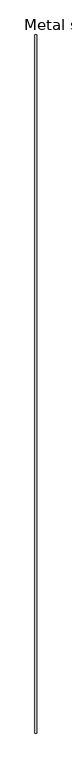
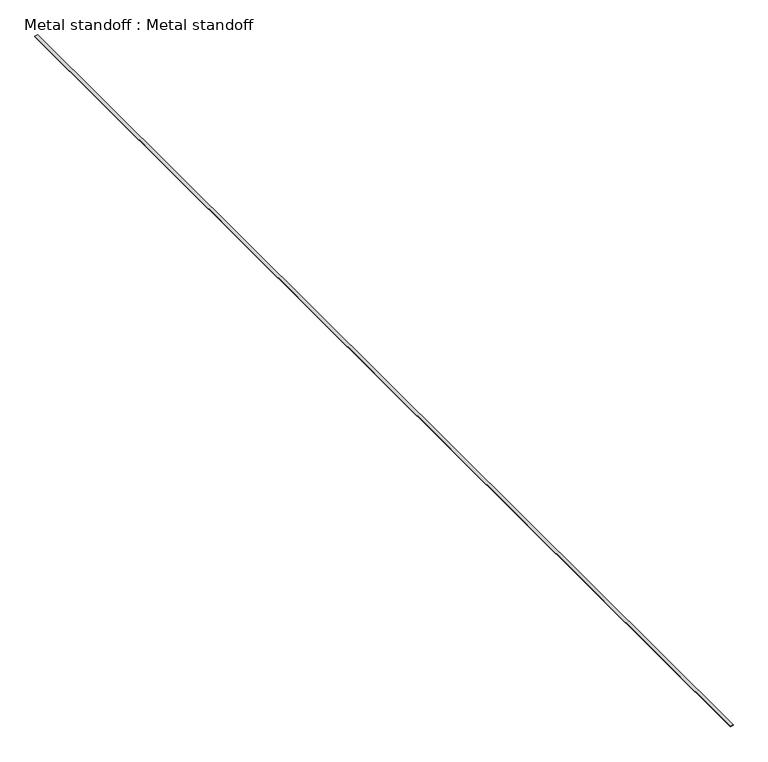
"""IFC4 building model written with IfcOpenShell, lengths in millimetres: proxy geometry, Metal standoff : Metal standoff."""

from ifc_helpers import new_model, si_unit, frame, origin, place, context, project, spatial, polyline, outline, extrude, source, transform, mapped, element, save


def metal_standoff_metal_standoff_7c59bbc4(model_context):
    return source(origin(), model_context, "Body", "SweptSolid", [
        extrude(outline(polyline([(0.0, -16.484375), (0.0, 0.0), (6533.92, 0.0), (6533.92, -16.484375), (0.0, -16.484375)])), frame((38078.0014198, -25196.3527966, 4151.0784017), z_axis=(-0.08725669412459787, 0.0, 0.9961858608364438), x_axis=(0.0, 1.0, 0.0)), (0.0, 0.0, 1.0), 2.3913838),
    ])


if __name__ == "__main__":
    model = new_model("IFC4")
    model_context = context("Model", 3, world=origin())
    ifc_project = project(units=[si_unit("LENGTHUNIT", "METRE", prefix="MILLI")], contexts=[model_context])
    site = spatial("IfcSite", under=ifc_project)
    building = spatial("IfcBuilding", under=site)
    placement = place(None, origin())
    metal_standoff_metal_standoff_shape = metal_standoff_metal_standoff_7c59bbc4(model_context)
    element("IfcBuildingElementProxy", 1, Name="Metal standoff : Metal standoff", ObjectType="Metal standoff : Metal standoff", at=placement, inside=building, context=model_context, shape_type="MappedRepresentation", body=[
        mapped(metal_standoff_metal_standoff_shape, transform((0.0, 0.0, 0.0), x_axis=(1.0, 0.0, 0.0), y_axis=(0.0, 1.0, 0.0), z_axis=(0.0, 0.0, 1.0))),
    ])
    save(model, "model.ifc")
